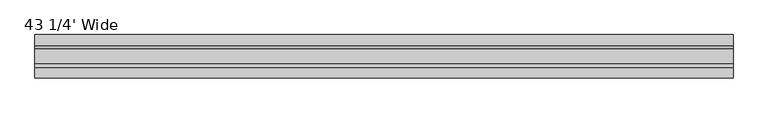
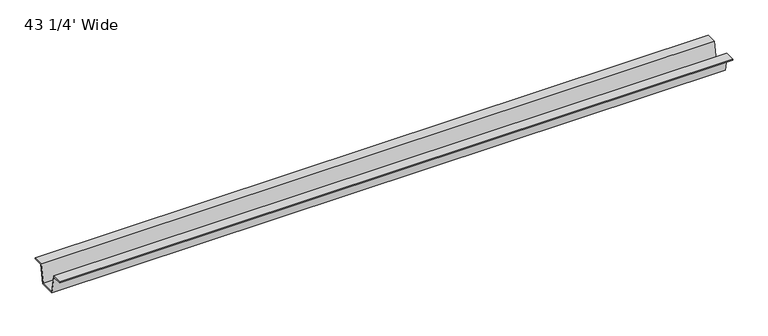
"""IFC4 building model written with IfcOpenShell, lengths in millimetres: furniture geometry, 43 1/4' Wide."""

from ifc_helpers import new_model, si_unit, frame, origin, place, context, project, spatial, polyline, outline, extrude, source, transform, mapped, element, save


def furniture_43_1_4_wide_edfa5801(model_context):
    return source(origin(), model_context, "Body", "SweptSolid", [
        extrude(outline(polyline([(137.3862362, 696.976), (121.485835, 696.976), (115.9232385, 666.7500008), (90.5232355, 666.7500008), (84.960639, 696.976), (69.0602378, 696.976), (69.0602378, 698.5), (85.9714992, 698.5), (91.5808402, 668.0200008), (114.8656337, 668.0200008), (120.4749747, 698.5), (137.3862362, 698.5), (137.3862362, 696.976)])), frame((56.104992, 0.0, 0.0), z_axis=(1.0, 0.0, 0.0), x_axis=(0.0, 1.0, 0.0)), (0.0, 0.0, 1.0), 1098.55),
    ])


if __name__ == "__main__":
    model = new_model("IFC4")
    model_context = context("Model", 3, world=origin())
    ifc_project = project(units=[si_unit("LENGTHUNIT", "METRE", prefix="MILLI")], contexts=[model_context])
    site = spatial("IfcSite", under=ifc_project)
    building = spatial("IfcBuilding", under=site)
    placement = place(None, origin())
    furniture_43_1_4_wide_shape = furniture_43_1_4_wide_edfa5801(model_context)
    element("IfcFurniture", 1, ObjectType="43 1/4' Wide", at=placement, inside=building, context=model_context, shape_type="MappedRepresentation", body=[
        mapped(furniture_43_1_4_wide_shape, transform((0.0, 0.0, 0.0), x_axis=(1.0, 0.0, 0.0), y_axis=(0.0, 1.0, 0.0), z_axis=(0.0, 0.0, 1.0))),
    ])
    save(model, "model.ifc")
